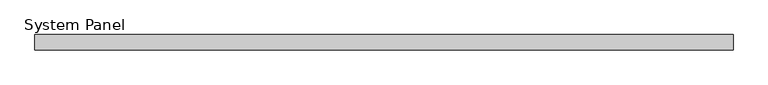
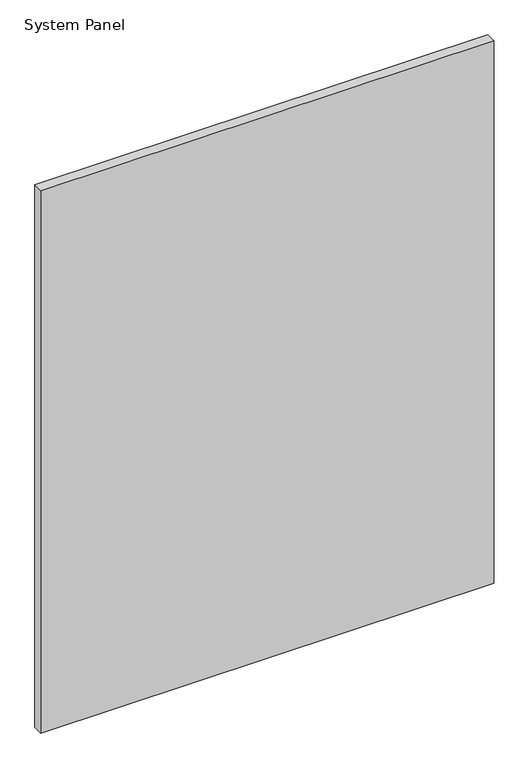
"""IFC4 building model written with IfcOpenShell, lengths in millimetres: plate geometry, System Panel."""

from ifc_helpers import new_model, si_unit, origin, origin_with_axes, place, context, project, spatial, polyline, outline, extrude, source, transform, mapped, element, save


def system_panel_d13b6f72(model_context):
    return source(origin(), model_context, "Body", "SweptSolid", [
        extrude(outline(polyline([(576.2644862, -0.85), (-576.2644862, -0.85), (-576.2644862, 24.45), (576.2644862, 24.45), (576.2644862, -0.85)])), origin_with_axes(), (0.0, 0.0, 1.0), 1458.8871),
    ])


if __name__ == "__main__":
    model = new_model("IFC4")
    model_context = context("Model", 3, world=origin())
    ifc_project = project(units=[si_unit("LENGTHUNIT", "METRE", prefix="MILLI")], contexts=[model_context])
    site = spatial("IfcSite", under=ifc_project)
    building = spatial("IfcBuilding", under=site)
    placement = place(None, origin())
    system_panel_shape = system_panel_d13b6f72(model_context)
    element("IfcPlate", 1, ObjectType="System Panel", at=placement, inside=building, context=model_context, shape_type="MappedRepresentation", body=[
        mapped(system_panel_shape, transform((0.0, 0.0, 0.0), x_axis=(1.0, 0.0, 0.0), y_axis=(0.0, 1.0, 0.0), z_axis=(0.0, 0.0, 1.0))),
    ])
    save(model, "model.ifc")
